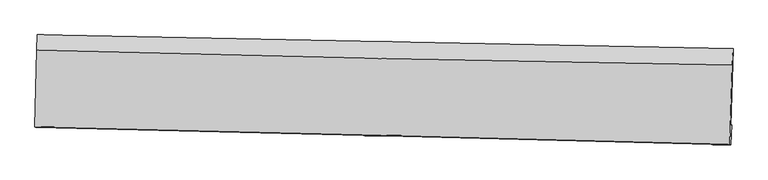
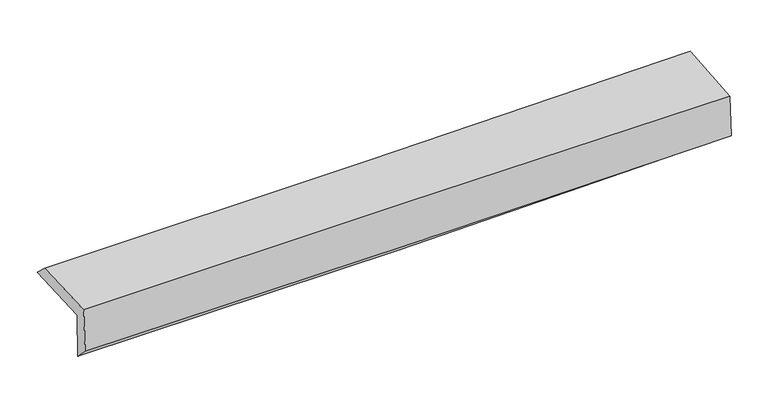
"""IFC4 building model written with IfcOpenShell, lengths in millimetres: proxy geometry."""

import ifcopenshell
import ifcopenshell.guid

model = None  # the IFC model being written
_history = None  # IfcOwnerHistory: only IFC2X3 demands one
_inside = {}  # id of a spatial element -> (the spatial element, [elements in it])
_under = {}  # id of a project, library or spatial element -> (it, [spatial elements below it])
_declared = {}  # id of a project -> (the project, [libraries it declares])
_typed = {}  # id of a type object -> (the type object, [elements of that type])
_made_of = {}  # id of a material, layer set ... -> (it, [elements and type objects made of it])


def new_model(schema):
    """Start an empty IFC model of exactly this schema.

    Asked for "IFC4X3", IfcOpenShell would pick the latest addendum, in which some entities
    have other attributes; the version numbers below select the first issue.
    IFC2X3 requires an IfcOwnerHistory on every rooted entity: one is made here for all.
    """
    global model, _history
    if schema == "IFC4X3":
        model = ifcopenshell.file(schema_version=(4, 3, 0, 0))
    else:
        model = ifcopenshell.file(schema=schema)
    _inside.clear()
    _under.clear()
    _declared.clear()
    _typed.clear()
    _made_of.clear()
    _history = None
    if model.schema == "IFC2X3":
        org = make("IfcOrganization", Name="unknown")
        user = make(
            "IfcPersonAndOrganization",
            ThePerson=make("IfcPerson", FamilyName="unknown"),
            TheOrganization=org,
        )
        app = make(
            "IfcApplication",
            ApplicationDeveloper=org,
            Version="unknown",
            ApplicationFullName="unknown",
            ApplicationIdentifier="unknown",
        )
        _history = make(
            "IfcOwnerHistory",
            OwningUser=user,
            OwningApplication=app,
            ChangeAction="ADDED",
            CreationDate=0,
        )
    return model


def make(cls, **values):
    """One entity of the class cls with the attributes given. An attribute that is None is left unset."""
    return model.create_entity(
        cls, **{name: value for name, value in values.items() if value is not None}
    )


def rooted(cls, **values):
    """An entity with a GlobalId (a new one), such as an element, a storey or a relation."""
    return make(cls, GlobalId=ifcopenshell.guid.new(), OwnerHistory=_history, **values)


def si_unit(unit_type, name, prefix=None):
    """IfcSIUnit, for example si_unit("LENGTHUNIT", "METRE", prefix="MILLI")."""
    return make("IfcSIUnit", UnitType=unit_type, Prefix=prefix, Name=name)


def assignment(units):
    """IfcUnitAssignment: the units of a project."""
    return None if units is None else make("IfcUnitAssignment", Units=units)


def point(xyz):
    """IfcCartesianPoint."""
    return None if xyz is None else make("IfcCartesianPoint", Coordinates=xyz)


def direction(xyz):
    """IfcDirection."""
    return None if xyz is None else make("IfcDirection", DirectionRatios=xyz)


def frame(location, z_axis=None, x_axis=None):
    """IfcAxis2Placement3D, a coordinate frame: its origin and axes. An axis left out is left unset."""
    return make(
        "IfcAxis2Placement3D",
        Location=point(location),
        Axis=direction(z_axis),
        RefDirection=direction(x_axis),
    )


def origin():
    """The frame at (0, 0, 0) with its axes left unset."""
    return frame((0.0, 0.0, 0.0))


def place(relative_to, where):
    """IfcLocalPlacement: puts the frame where relative to a parent placement (None: the world)."""
    return make(
        "IfcLocalPlacement", PlacementRelTo=relative_to, RelativePlacement=where
    )


def context(
    kind, dimensions, precision=None, world=None, true_north=None, identifier=None
):
    """IfcGeometricRepresentationContext, for example the 3D "Model" context."""
    return make(
        "IfcGeometricRepresentationContext",
        ContextIdentifier=identifier,
        ContextType=kind,
        CoordinateSpaceDimension=dimensions,
        Precision=precision,
        WorldCoordinateSystem=world,
        TrueNorth=true_north,
    )


def project(units=None, contexts=None):
    """IfcProject with its units and contexts."""
    return rooted(
        "IfcProject",
        Name="project",
        RepresentationContexts=contexts,
        UnitsInContext=assignment(units),
    )


def spatial(cls, under=None, at=None, **own):
    """A site, building, storey or space (cls), placed at a placement, below another one or the project."""
    s = rooted(cls, ObjectPlacement=at, **own)
    if under is not None:
        _under.setdefault(under.id(), (under, []))[1].append(s)
    return s


def shape(context_of_items, identifier, shape_type, items):
    """IfcShapeRepresentation: the items that make up one representation, for example the "Body"."""
    return make(
        "IfcShapeRepresentation",
        ContextOfItems=context_of_items,
        RepresentationIdentifier=identifier,
        RepresentationType=shape_type,
        Items=items,
    )


def source(mapping_origin, context_of_items, identifier, shape_type, items):
    """IfcRepresentationMap: a shape defined once, which mapped items show again and again."""
    return make(
        "IfcRepresentationMap",
        MappingOrigin=mapping_origin,
        MappedRepresentation=shape(context_of_items, identifier, shape_type, items),
    )


def transform(
    local_origin,
    x_axis=None,
    y_axis=None,
    z_axis=None,
    scale=None,
    scale2=None,
    scale3=None,
    uniform=True,
):
    """IfcCartesianTransformationOperator3D, or its non-uniform kind. x_axis, y_axis, z_axis: its Axis1, 2, 3."""
    if uniform:
        return make(
            "IfcCartesianTransformationOperator3D",
            Axis1=direction(x_axis),
            Axis2=direction(y_axis),
            LocalOrigin=point(local_origin),
            Scale=scale,
            Axis3=direction(z_axis),
        )
    return make(
        "IfcCartesianTransformationOperator3DnonUniform",
        Axis1=direction(x_axis),
        Axis2=direction(y_axis),
        LocalOrigin=point(local_origin),
        Scale=scale,
        Axis3=direction(z_axis),
        Scale2=scale2,
        Scale3=scale3,
    )


def mapped(mapping_source, mapping_target):
    """IfcMappedItem: shows the shape of a source again, moved by a transform."""
    return make(
        "IfcMappedItem", MappingSource=mapping_source, MappingTarget=mapping_target
    )


def made_of(thing, what):
    """Note that an element or type object is made of a material, layer set ...; save() writes the relation."""
    if what is not None:
        _made_of.setdefault(what.id(), (what, []))[1].append(thing)
    return thing


def element(
    cls,
    number,
    at=None,
    inside=None,
    cuts=None,
    type_object=None,
    material=None,
    context=None,
    identifier="Body",
    shape_type=None,
    held_by="IfcProductDefinitionShape",
    body=None,
    shapes=None,
    **own,
):
    """One element of the class cls, such as IfcWall. Its Tag is "e" and its number.

    at: its placement. inside: the storey or other place that contains it. cuts: it is an
    opening in that element (IfcRelVoidsElement). A single representation is given by context,
    identifier, shape_type and body (its items); several are given by shapes. held_by: the class
    of the entity that holds the representations. save() writes the other relations.
    """
    e = rooted(cls, Tag="e%d" % number, ObjectPlacement=at, **own)
    if body is not None:
        shapes = [shape(context, identifier, shape_type, body)]
    if shapes is not None:
        e.Representation = make(held_by, Representations=shapes)
    if inside is not None:
        _inside.setdefault(inside.id(), (inside, []))[1].append(e)
    if cuts is not None:
        rooted(
            "IfcRelVoidsElement", RelatingBuildingElement=cuts, RelatedOpeningElement=e
        )
    if type_object is not None:
        _typed.setdefault(type_object.id(), (type_object, []))[1].append(e)
    return made_of(e, material)


def aggregate(whole, parts):
    """IfcRelAggregates: a whole, such as a stair, and the parts it consists of."""
    return rooted("IfcRelAggregates", RelatingObject=whole, RelatedObjects=parts)


def save(model, path):
    """Write the relations noted so far, then the file.

    IfcRelAggregates (storeys below a building ...), IfcRelContainedInSpatialStructure (elements
    in a storey), IfcRelDefinesByType, IfcRelAssociatesMaterial and IfcRelDeclares: one each for
    every whole, place, type object, material and project.
    """
    for whole, parts in _under.values():
        aggregate(whole, parts)
    for where, things in _inside.values():
        rooted(
            "IfcRelContainedInSpatialStructure",
            RelatedElements=things,
            RelatingStructure=where,
        )
    for kind, things in _typed.values():
        rooted("IfcRelDefinesByType", RelatedObjects=things, RelatingType=kind)
    for what, things in _made_of.values():
        rooted("IfcRelAssociatesMaterial", RelatedObjects=things, RelatingMaterial=what)
    for by, libraries in _declared.values():
        rooted("IfcRelDeclares", RelatingContext=by, RelatedDefinitions=libraries)
    model.write(path)


def plane_surface(at):
    """IfcPlane: the flat surface through the origin of the frame at, square to its z axis."""
    return make("IfcPlane", Position=at)


def spline_curve(degree, points, multiplicities, knots, weights=None):
    """IfcBSplineCurveWithKnots; with weights, IfcRationalBSplineCurveWithKnots."""
    own = dict(
        Degree=degree,
        ControlPointsList=[point(p) for p in points],
        CurveForm="UNSPECIFIED",
        ClosedCurve=False,
        SelfIntersect=False,
        KnotMultiplicities=multiplicities,
        Knots=knots,
        KnotSpec="UNSPECIFIED",
    )
    if weights is None:
        return make("IfcBSplineCurveWithKnots", **own)
    return make("IfcRationalBSplineCurveWithKnots", WeightsData=weights, **own)


def spline_surface(u_degree, v_degree, points, u_multiplicities, v_multiplicities, u_knots, v_knots, weights=None):
    """IfcBSplineSurfaceWithKnots; with weights, IfcRationalBSplineSurfaceWithKnots. points: one row for each step in u."""
    own = dict(
        UDegree=u_degree,
        VDegree=v_degree,
        ControlPointsList=[[point(p) for p in row] for row in points],
        SurfaceForm="UNSPECIFIED",
        UClosed=False,
        VClosed=False,
        SelfIntersect=False,
        UMultiplicities=u_multiplicities,
        VMultiplicities=v_multiplicities,
        UKnots=u_knots,
        VKnots=v_knots,
        KnotSpec="UNSPECIFIED",
    )
    if weights is None:
        return make("IfcBSplineSurfaceWithKnots", **own)
    return make("IfcRationalBSplineSurfaceWithKnots", WeightsData=weights, **own)


def advanced_brep(points, edges, surfaces, faces):
    """IfcAdvancedBrep: a solid bounded by faces that lie on surfaces and meet in shared edges.

    An edge is (start, end): straight between two places in points (the first is 0);
    or (start, end, curve); or (start, end, curve, False) where it runs against its curve.
    A face is (place in surfaces, loops), or (place, loops, False) where it looks against
    its surface's normal. A loop lists edges by number (the first is 1), with a minus sign
    where the edge is run from its end to its start. The first loop is the outer one.
    """
    corners = [point(p) for p in points]
    vertices = [make("IfcVertexPoint", VertexGeometry=c) for c in corners]
    made = []
    for start, end, *more in edges:
        made.append(
            make(
                "IfcEdgeCurve",
                EdgeStart=vertices[start],
                EdgeEnd=vertices[end],
                EdgeGeometry=more[0] if more else make("IfcPolyline", Points=[corners[start], corners[end]]),
                SameSense=more[1] if len(more) > 1 else True,
            )
        )
    hull = []
    for where, loops, *sense in faces:
        bounds = []
        for j, loop in enumerate(loops):
            ring = [make("IfcOrientedEdge", EdgeElement=made[abs(k) - 1], Orientation=k > 0) for k in loop]
            bounds.append(
                make(
                    "IfcFaceOuterBound" if j == 0 else "IfcFaceBound",
                    Bound=make("IfcEdgeLoop", EdgeList=ring),
                    Orientation=True,
                )
            )
        hull.append(make("IfcAdvancedFace", Bounds=bounds, FaceSurface=surfaces[where], SameSense=sense[0] if sense else True))
    return make("IfcAdvancedBrep", Outer=make("IfcClosedShell", CfsFaces=hull))


def generic_models_a304f7a4(model_context):
    return source(origin(), model_context, "Body", "AdvancedBrep", [
        advanced_brep(
        [(-2972.6358663, -1754.3685969, 1977.7274954), (-2957.759977, -1080.8579311, 1988.8762991), (2965.2829832, -1198.2062607, 2115.4504719), (2945.6239263, -1858.5539928, 2104.4005037), (-2962.8502439, -1742.1252255, 1566.0834477), (2955.2984413, -1850.1616728, 1694.4250823), (-2968.7123343, -1871.6982404, 1693.796311), (2946.978166, -2021.0881218, 1832.1912154), (-2977.993756, -1865.5906174, 2101.4642761), (2938.2992452, -2014.6892089, 2218.2524495), (-2963.4189763, -1210.7096312, 2107.5277325), (2957.9957838, -1340.4718668, 2245.8712754)],
        [
            (0, 1),
            (1, 2, spline_curve(3, [(-2957.759977, -1080.8579311, 1988.8762991), (-1969.786809381, -1099.656977884, 1987.442874696), (-982.030832658, -1118.839287416, 1997.282079232), (992.316499938, -1157.955963935, 2039.49013493), (1978.908176478, -1177.889764387, 2071.842321323), (2965.2829832, -1198.2062607, 2115.4504719)], [4, 2, 4], [0.0, 9.720501814375949, 19.433815760720705])),
            (2, 3),
            (3, 0, spline_curve(3, [(2945.6239263, -1858.5539928, 2104.4005037), (1960.058893631, -1843.815089867, 2060.721917026), (974.270556579, -1827.76721766, 2028.326269361), (-998.482377188, -1793.04069065, 1986.085228), (-1985.447304214, -1774.360097496, 1976.256539815), (-2972.6358663, -1754.3685969, 1977.7274954)], [4, 2, 4], [0.0, 9.713313946344757, 19.433815760720705])),
            (4, 0),
            (3, 5),
            (5, 4, spline_curve(3, [(2955.2984413, -1850.1616728, 1694.4250823), (1969.564548067, -1833.79478535, 1659.897895211), (983.701001501, -1816.611936176, 1631.940690382), (-989.015034863, -1780.600995474, 1589.150418239), (-1975.867716826, -1761.771695391, 1574.327078438), (-2962.8502439, -1742.1252255, 1566.0834477)], [4, 2, 4], [0.0, 9.708963286696845, 19.425111221929704])),
            (6, 4),
            (5, 7),
            (7, 6, spline_curve(3, [(2946.978166, -2021.0881218, 1832.1912154), (1961.732372076, -1994.972703941, 1799.22493263), (976.317662935, -1969.470215921, 1771.211315693), (-995.578920612, -1919.672681165, 1725.072348166), (-1982.061044688, -1895.378542153, 1706.954330511), (-2968.7123343, -1871.6982404, 1693.796311)], [4, 2, 4], [0.0, 9.707567396140538, 19.422318407855823])),
            (8, 6),
            (7, 9),
            (9, 8, spline_curve(3, [(2938.2992452, -2014.6892089, 2218.2524495), (1952.632125798, -1988.620804399, 2202.721132198), (966.956504211, -1963.166087872, 2185.227451638), (-1005.141150057, -1913.465648726, 2146.300965658), (-1991.563195924, -1889.220834586, 2124.86525541), (-2977.993756, -1865.5906174, 2101.4642761)], [4, 2, 4], [0.0, 9.706478589657406, 19.420139989171])),
            (10, 8),
            (9, 11),
            (11, 10, spline_curve(3, [(2957.9957838, -1340.4718668, 2245.8712754), (1971.322989582, -1324.369954349, 2219.597192929), (984.71784763, -1305.510498396, 2194.935191003), (-989.087172769, -1262.260502589, 2148.818289817), (-1976.286950339, -1237.865879862, 2127.365777631), (-2963.4189763, -1210.7096312, 2107.5277325)], [4, 2, 4], [0.0, 9.710767745706097, 19.428721475250793])),
            (1, 10),
            (11, 2),
        ],
        [
            spline_surface(3, 3, [[(-2972.6358663, -1754.3685969, 1977.7274954), (-1985.447304165, -1774.36009739, 1976.256539814), (-998.482377088, -1793.04069051, 1986.085228157), (974.270556479, -1827.767217799, 2028.326269204), (1960.05889364, -1843.81509001, 2060.721916997), (2945.6239263, -1858.5539928, 2104.4005037)], [(-2967.677236535, -1529.865041638, 1981.443763292), (-1980.227139242, -1549.459057583, 1979.98531805), (-992.998528883, -1568.306889507, 1989.817511793), (980.285870928, -1604.496799849, 2032.047557815), (1966.341987875, -1621.839981444, 2064.428718496), (2952.17694527, -1638.438082102, 2108.083826456)], [(-2962.718606765, -1305.361486362, 1985.160031208), (-1975.006974314, -1324.558017762, 1983.714096311), (-987.514680715, -1343.573088454, 1993.549795458), (986.30118534, -1381.22638185, 2035.768846456), (1972.625082101, -1399.864872873, 2068.135519927), (2958.72996423, -1418.322171398, 2111.767149144)], [(-2957.759977, -1080.8579311, 1988.8762991), (-1969.786809391, -1099.656977955, 1987.442874547), (-982.03083251, -1118.839287451, 1997.282079094), (992.31649979, -1157.9559639, 2039.490135067), (1978.908176336, -1177.889764307, 2071.842321427), (2965.2829832, -1198.2062607, 2115.4504719)]], [4, 4], [4, 2, 4], [0.0, 2.205781607735715], [0.0, 9.720501814375949, 19.433815760720705]),
            spline_surface(3, 3, [[(-2962.8502439, -1742.1252255, 1566.0834477), (-1975.867716741, -1761.771695348, 1574.327078344), (-989.015034902, -1780.600995316, 1589.150418282), (983.701001539, -1816.611936335, 1631.940690339), (1969.564548101, -1833.794785483, 1659.897895273), (2955.2984413, -1850.1616728, 1694.4250823)], [(-2966.112118036, -1746.206349308, 1703.298130287), (-1979.060912552, -1765.96782937, 1708.303565521), (-992.170815652, -1784.747560379, 1721.462021574), (980.557519831, -1820.330363488, 1764.069216627), (1966.395996593, -1837.134886992, 1793.505902518), (2952.073602946, -1852.9591128, 1831.083556104)], [(-2969.373992164, -1750.287473092, 1840.512812813), (-1982.254108354, -1770.163963369, 1842.280052637), (-995.326596338, -1788.894125447, 1853.773624865), (977.414038187, -1824.048790646, 1896.197742915), (1963.227445148, -1840.474988501, 1927.113909751), (2948.848764654, -1855.7565528, 1967.742029896)], [(-2972.6358663, -1754.3685969, 1977.7274954), (-1985.447304165, -1774.36009739, 1976.256539814), (-998.482377088, -1793.04069051, 1986.085228157), (974.270556479, -1827.767217799, 2028.326269204), (1960.05889364, -1843.81509001, 2060.721916997), (2945.6239263, -1858.5539928, 2104.4005037)]], [4, 4], [4, 2, 4], [0.0, 1.302323791632808], [0.0, 9.71614793523286, 19.425111221929704]),
            spline_surface(3, 3, [[(-2968.7123343, -1871.6982404, 1693.796311), (-1982.061044614, -1895.378542177, 1706.954330392), (-995.578920498, -1919.672681242, 1725.072348186), (976.317662822, -1969.470215844, 1771.211315673), (1961.73237219, -1994.972703922, 1799.224932651), (2946.978166, -2021.0881218, 1832.1912154)], [(-2966.758304173, -1828.507235433, 1651.225356569), (-1979.996601996, -1850.842926567, 1662.745246378), (-993.390958617, -1873.315452582, 1679.765038215), (978.778775743, -1918.51745599, 1724.787773892), (1964.343097512, -1941.246731106, 1752.782586843), (2949.751591119, -1964.112638797, 1786.269171019)], [(-2964.804274027, -1785.316230467, 1608.654402131), (-1977.93215936, -1806.307310958, 1618.536162358), (-991.202996783, -1826.958223976, 1634.457728253), (981.239888617, -1867.564696189, 1678.36423212), (1966.953822779, -1887.520758299, 1706.34024108), (2952.525016181, -1907.137155803, 1740.347126681)], [(-2962.8502439, -1742.1252255, 1566.0834477), (-1975.867716741, -1761.771695348, 1574.327078344), (-989.015034902, -1780.600995316, 1589.150418282), (983.701001539, -1816.611936335, 1631.940690339), (1969.564548101, -1833.794785483, 1659.897895273), (2955.2984413, -1850.1616728, 1694.4250823)]], [4, 4], [4, 2, 4], [0.0, 0.6585039573040801], [0.0, 9.714751011715284, 19.422318407855823]),
            spline_surface(3, 3, [[(-2977.993756, -1865.5906174, 2101.4642761), (-1991.563195829, -1889.220834716, 2124.865255317), (-1005.14115017, -1913.46564875, 2146.300965775), (966.956504324, -1963.166087849, 2185.227451521), (1952.632125702, -1988.62080431, 2202.721132213), (2938.2992452, -2014.6892089, 2218.2524495)], [(-2974.89994874, -1867.626491726, 1965.574954375), (-1988.395812064, -1891.273403862, 1985.56161365), (-1001.953740281, -1915.53465959, 2005.891426585), (970.076890488, -1965.267463857, 2047.222072912), (1955.665541184, -1990.738104165, 2068.222399023), (2941.192218786, -2016.822179851, 2089.565371464)], [(-2971.80614156, -1869.662366074, 1829.685632725), (-1985.228428379, -1893.325973031, 1846.257972059), (-998.766330387, -1917.603670402, 1865.481887375), (973.197276658, -1967.368839836, 1909.216694283), (1958.698956707, -1992.855404067, 1933.723665841), (2944.085192414, -2018.955150849, 1960.878293436)], [(-2968.7123343, -1871.6982404, 1693.796311), (-1982.061044614, -1895.378542177, 1706.954330392), (-995.578920498, -1919.672681242, 1725.072348186), (976.317662822, -1969.470215844, 1771.211315673), (1961.73237219, -1994.972703922, 1799.224932651), (2946.978166, -2021.0881218, 1832.1912154)]], [4, 4], [4, 2, 4], [0.0, 1.3706661649657819], [0.0, 9.713661399513592, 19.420139989171]),
            spline_surface(3, 3, [[(-2963.4189763, -1210.7096312, 2107.5277325), (-1976.286950489, -1237.865880013, 2127.365777711), (-989.087172671, -1262.260502563, 2148.81828988), (984.717847532, -1305.510498423, 2194.93519094), (1971.322989732, -1324.369954386, 2219.597193084), (2957.9957838, -1340.4718668, 2245.8712754)], [(-2968.277236205, -1429.003293276, 2105.506580366), (-1981.379032274, -1454.984198257, 2126.532270245), (-994.438498496, -1479.328884642, 2147.97918185), (978.797399804, -1524.729028249, 2191.699277805), (1965.092701724, -1545.786904363, 2213.971839458), (2951.430270935, -1565.210980835, 2236.665000098)], [(-2973.135496095, -1647.296955324, 2103.485428234), (-1986.471114044, -1672.102516472, 2125.698762782), (-999.789824345, -1696.39726667, 2147.140073805), (972.876952053, -1743.947558023, 2188.463364656), (1958.862413709, -1767.203854334, 2208.346485839), (2944.864758065, -1789.950094865, 2227.458724802)], [(-2977.993756, -1865.5906174, 2101.4642761), (-1991.563195829, -1889.220834716, 2124.865255317), (-1005.14115017, -1913.46564875, 2146.300965775), (966.956504324, -1963.166087849, 2185.227451521), (1952.632125702, -1988.62080431, 2202.721132213), (2938.2992452, -2014.6892089, 2218.2524495)]], [4, 4], [4, 2, 4], [0.0, 2.1478833773957766], [0.0, 9.717953729544696, 19.428721475250793]),
            spline_surface(3, 3, [[(-2957.759977, -1080.8579311, 1988.8762991), (-1969.786809391, -1099.656977955, 1987.442874547), (-982.03083251, -1118.839287451, 1997.282079094), (992.31649979, -1157.9559639, 2039.490135067), (1978.908176336, -1177.889764307, 2071.842321427), (2965.2829832, -1198.2062607, 2115.4504719)], [(-2959.646310111, -1124.14183112, 2028.426776913), (-1971.953523101, -1145.726611961, 2034.083842281), (-984.38294591, -1166.646359131, 2047.794149357), (989.783615691, -1207.140808717, 2091.305153693), (1976.379780812, -1226.716494348, 2121.093945306), (2962.853916744, -1245.628129415, 2158.924073059)], [(-2961.532643189, -1167.42573118, 2067.977254687), (-1974.120236778, -1191.796246007, 2080.724809977), (-986.735059271, -1214.453430882, 2098.306219617), (987.250731631, -1256.325653606, 2143.120172314), (1973.851385256, -1275.543224345, 2170.345569206), (2960.424850256, -1293.049998085, 2202.397674241)], [(-2963.4189763, -1210.7096312, 2107.5277325), (-1976.286950489, -1237.865880013, 2127.365777711), (-989.087172671, -1262.260502563, 2148.81828988), (984.717847532, -1305.510498423, 2194.93519094), (1971.322989732, -1324.369954386, 2219.597193084), (2957.9957838, -1340.4718668, 2245.8712754)]], [4, 4], [4, 2, 4], [0.0, 0.6942593297606018], [0.0, 9.723293437459148, 19.439396942609076]),
            plane_surface(frame((2951.5797576, -1713.8618539, 2035.0984997), z_axis=(0.9992820507534699, -0.030133660279493116, 0.02296400575029818), x_axis=(0.02247192084213213, -0.016568403736411653, -0.9996101744036484))),
            plane_surface(frame((-2967.2285256, -1587.5583737, 1905.9125936), z_axis=(-0.9994810727641287, 0.022457870415154953, -0.023091757028920017), x_axis=(-0.022078679203708436, -0.9996192924229387, -0.016546967712640415))),
        ],
        [
            (0, [[1, 2, 3, 4]]),
            (1, [[5, -4, 6, 7]]),
            (2, [[8, -7, 9, 10]]),
            (3, [[11, -10, 12, 13]]),
            (4, [[14, -13, 15, 16]]),
            (5, [[17, -16, 18, -2]]),
            (6, [[-12, -9, -6, -3, -18, -15]]),
            (7, [[-1, -5, -8, -11, -14, -17]]),
        ],
    ),
    ])


if __name__ == "__main__":
    model = new_model("IFC4")
    model_context = context("Model", 3, world=origin())
    ifc_project = project(units=[si_unit("LENGTHUNIT", "METRE", prefix="MILLI")], contexts=[model_context])
    site = spatial("IfcSite", under=ifc_project)
    building = spatial("IfcBuilding", under=site)
    placement = place(None, origin())
    generic_models_shape = generic_models_a304f7a4(model_context)
    element("IfcBuildingElementProxy", 1, Name="Generic Models", at=placement, inside=building, context=model_context, shape_type="MappedRepresentation", body=[
        mapped(generic_models_shape, transform((0.0, 0.0, 0.0), x_axis=(1.0, 0.0, 0.0), y_axis=(0.0, 1.0, 0.0), z_axis=(0.0, 0.0, 1.0))),
    ])
    save(model, "model.ifc")
